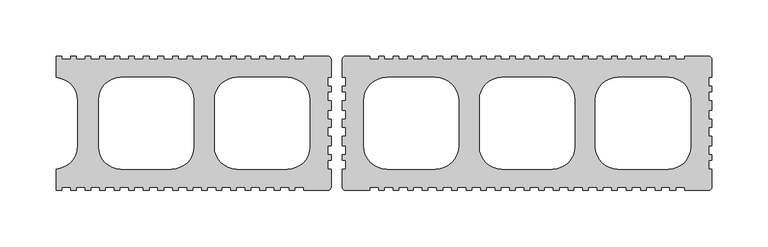
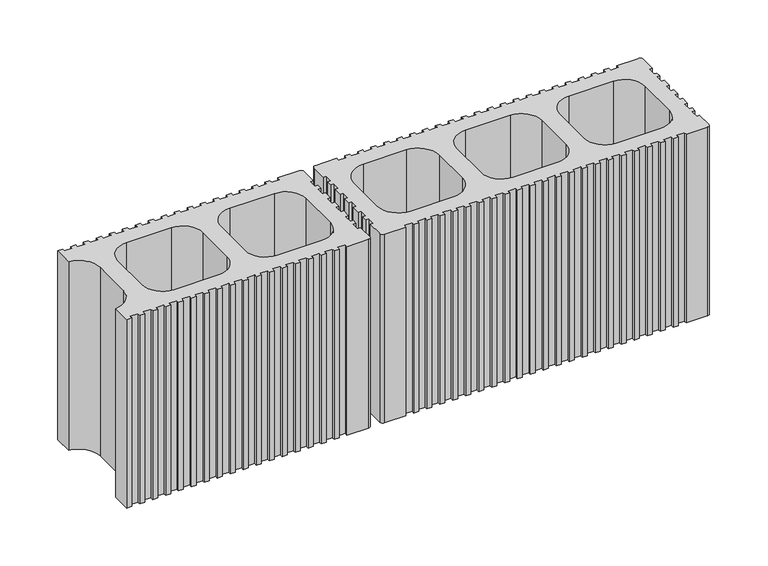
"""IFC4 building model written with IfcOpenShell, lengths in millimetres: plate geometry."""

from ifc_helpers import new_model, si_unit, point, frame_2d, origin, origin_with_axes, place, context, project, spatial, polyline, circle_curve, trimmed, segment, composite_curve, outline, extrude, source, transform, mapped, element, save


def plate_ee714a16(model_context):
    return source(origin(), model_context, "Body", "SweptSolid", [
        extrude(outline(composite_curve([segment(polyline([(-28.9996474, -59.9999786), (-28.9996474, -56.9999689), (-36.9996597, -56.9999689), (-36.9996597, -59.9999786), (-41.9997009, -59.9999786), (-41.9997009, -56.9999689), (-49.9997132, -56.9999689), (-49.9997132, -59.9999786), (-54.9997246, -59.9999786), (-54.9997246, -56.9999689), (-62.9997666, -56.9999689), (-62.9997666, -59.9999786), (-67.999778, -59.9999786), (-67.999778, -56.9999689), (-75.9997903, -56.9999689), (-75.9997903, -59.9999786), (-80.9998017, -59.9999786), (-80.9998017, -56.9999689), (-88.9998438, -56.9999689), (-88.9998438, -59.9999786), (-93.9998552, -59.9999786), (-93.9998552, -56.9999689), (-101.9998823, -56.9999689), (-101.9998823, -59.9999786), (-106.9998937, -59.9999786), (-106.9998937, -56.9999689), (-114.9999209, -56.9999689), (-114.9999209, -59.9999786), (-119.9999472, -59.9999786), (-119.9999472, -56.9999689), (-127.9999744, -56.9999689), (-127.9999744, -59.9999786), (-132.9999857, -59.9999786), (-132.9999857, -56.9999689), (-141.0000129, -56.9999689), (-141.0000129, -59.9999786), (-146.0000243, -59.9999786), (-146.0000243, -56.9999689), (-154.0000515, -56.9999689), (-154.0000515, -59.9999786), (-159.0000629, -59.9999786), (-159.0000629, -56.9999689), (-167.00009, -56.9999689), (-167.00009, -59.9999786), (-172.0001163, -59.9999786), (-172.0001163, -56.9999689), (-180.0001435, -56.9999689), (-180.0001435, -59.9999786), (-185.0001549, -59.9999786), (-185.0001549, -56.9999689), (-193.0001821, -56.9999689), (-193.0001821, -59.9999786), (-198.0001935, -59.9999786), (-198.0001935, -56.9999689), (-206.0002206, -56.9999689), (-206.0002206, -59.9999786), (-211.0002395, -59.9999786), (-211.0002395, -56.9999689), (-219.0002592, -56.9999689), (-219.0002592, -59.9999786), (-224.000278, -59.9999786), (-224.000278, -56.9999689), (-232.0003052, -56.9999689), (-232.0003052, -59.9999786), (-237.0003241, -59.9999786), (-237.0003241, -56.9999689), (-245.0003438, -56.9999689), (-245.0003438, -59.9999786), (-250.0003626, -59.9999786), (-250.0003626, -40.9463443)]), True, "CONTINUOUS"), segment(trimmed(circle_curve(frame_2d((-251.5002835, -19.9999786)), 21.0), [point((-250.0003626, -40.9463443))], [point((-230.5002835, -19.9999786))], True, "CARTESIAN"), True, "CONTINUOUS"), segment(polyline([(-230.5002835, -19.9999786), (-230.5002835, 20.0004066)]), True, "CONTINUOUS"), segment(trimmed(circle_curve(frame_2d((-251.5002835, 20.0004066)), 21.0), [point((-230.5002835, 20.0004066))], [point((-250.0003626, 40.9467723))], True, "CARTESIAN"), True, "CONTINUOUS"), segment(polyline([(-250.0003626, 40.9467723), (-250.0003626, 60.0004066), (-245.0003438, 60.0004066), (-245.0003438, 57.0003969), (-237.0003241, 57.0003969), (-237.0003241, 60.0004066), (-232.0003052, 60.0004066), (-232.0003052, 57.0003969), (-224.000278, 57.0003969), (-224.000278, 60.0004066), (-219.0002592, 60.0004066), (-219.0002592, 57.0003969), (-211.0002395, 57.0003969), (-211.0002395, 60.0004066), (-206.0002206, 60.0004066), (-206.0002206, 57.0003969), (-198.0001935, 57.0003969), (-198.0001935, 60.0004066), (-193.0001821, 60.0004066), (-193.0001821, 57.0003969), (-185.0001549, 57.0003969), (-185.0001549, 60.0004066), (-180.0001435, 60.0004066), (-180.0001435, 57.0003969), (-172.0001163, 57.0003969), (-172.0001163, 60.0004066), (-167.00009, 60.0004066), (-167.00009, 57.0003969), (-159.0000629, 57.0003969), (-159.0000629, 60.0004066), (-154.0000515, 60.0004066), (-154.0000515, 57.0003969), (-146.0000243, 57.0003969), (-146.0000243, 60.0004066), (-141.0000129, 60.0004066), (-141.0000129, 57.0003969), (-132.9999857, 57.0003969), (-132.9999857, 60.0004066), (-127.9999744, 60.0004066), (-127.9999744, 57.0003969), (-119.9999472, 57.0003969), (-119.9999472, 60.0004066), (-114.9999209, 60.0004066), (-114.9999209, 57.0003969), (-106.9998937, 57.0003969), (-106.9998937, 60.0004066), (-101.9998823, 60.0004066), (-101.9998823, 57.0003969), (-93.9998552, 57.0003969), (-93.9998552, 60.0004066), (-88.9998438, 60.0004066), (-88.9998438, 57.0003969), (-80.9998017, 57.0003969), (-80.9998017, 60.0004066), (-75.9997903, 60.0004066), (-75.9997903, 57.0003969), (-67.999778, 57.0003969), (-67.999778, 60.0004066), (-62.9997666, 60.0004066), (-62.9997666, 57.0003969), (-54.9997246, 57.0003969), (-54.9997246, 60.0004066), (-49.9997132, 60.0004066), (-49.9997132, 57.0003969), (-41.9997009, 57.0003969), (-41.9997009, 60.0004066), (-36.9996597, 60.0004066), (-36.9996597, 57.0003969), (-28.9996474, 57.0003969), (-28.9996474, 60.0004066), (-7.4995684, 60.0004066)]), True, "CONTINUOUS"), segment(trimmed(circle_curve(frame_2d((-7.4995684, 57.0004015)), 3.0000051), [point((-7.4995684, 60.0004066))], [point((-4.4995633, 57.0004015))], False, "CARTESIAN"), True, "CONTINUOUS"), segment(polyline([(-4.4995633, 57.0004015), (-4.4995633, 41.0003514), (-7.499573, 41.0003514), (-7.499573, 33.0003242), (-4.4995633, 33.0003242), (-4.4995633, 28.0003054), (-7.499573, 28.0003054), (-7.499573, 20.0002782), (-4.4995633, 20.0002782), (-4.4995633, 11.5002559), (-7.499573, 11.5002559), (-7.499573, 3.5002287), (-4.4995633, 3.5002287), (-4.4995633, -3.4997969), (-7.499573, -3.4997969), (-7.499573, -11.4998204), (-4.4995633, -11.4998204), (-4.4995633, -19.9998502), (-7.499573, -19.9998502), (-7.499573, -27.9998736), (-4.4995633, -27.9998736), (-4.4995633, -32.9998906), (-7.499573, -32.9998906), (-7.499573, -40.9999178), (-4.4995633, -40.9999178), (-4.4995633, -56.9999689)]), True, "CONTINUOUS"), segment(trimmed(circle_curve(frame_2d((-7.499573, -56.9999689)), 3.0000097), [point((-4.4995633, -56.9999689))], [point((-7.499573, -59.9999786))], False, "CARTESIAN"), True, "CONTINUOUS"), segment(polyline([(-7.499573, -59.9999786), (-28.9996474, -59.9999786)]), True, "CONTINUOUS")], self_intersect=False), holes=[composite_curve([segment(trimmed(circle_curve(frame_2d((-192.0002108, -20.9999138)), 20.0000648), [point((-212.0002755, -20.9999138))], [point((-192.0002108, -40.9999786))], True, "CARTESIAN"), True, "CONTINUOUS"), segment(polyline([(-192.0002108, -40.9999786), (-146.9999882, -40.9999786)]), True, "CONTINUOUS"), segment(trimmed(circle_curve(frame_2d((-146.9999882, -20.9999138)), 20.0000648), [point((-146.9999882, -40.9999786))], [point((-126.9999234, -20.9999138))], True, "CARTESIAN"), True, "CONTINUOUS"), segment(polyline([(-126.9999234, -20.9999138), (-126.9999234, 21.0003418)]), True, "CONTINUOUS"), segment(trimmed(circle_curve(frame_2d((-146.9999882, 21.0003418)), 20.0000648), [point((-126.9999234, 21.0003418))], [point((-146.9999882, 41.0004066))], True, "CARTESIAN"), True, "CONTINUOUS"), segment(polyline([(-146.9999882, 41.0004066), (-192.0002108, 41.0004066)]), True, "CONTINUOUS"), segment(trimmed(circle_curve(frame_2d((-192.0002108, 21.0003418)), 20.0000648), [point((-192.0002108, 41.0004066))], [point((-212.0002755, 21.0003418))], True, "CARTESIAN"), True, "CONTINUOUS"), segment(polyline([(-212.0002755, 21.0003418), (-212.0002755, -20.9999138)]), True, "CONTINUOUS")], self_intersect=False), composite_curve([segment(polyline([(-108.499908, 21.0003418), (-108.499908, -20.9999138)]), True, "CONTINUOUS"), segment(trimmed(circle_curve(frame_2d((-88.4998432, -20.9999138)), 20.0000648), [point((-108.499908, -20.9999138))], [point((-88.4998432, -40.9999786))], True, "CARTESIAN"), True, "CONTINUOUS"), segment(polyline([(-88.4998432, -40.9999786), (-43.4996206, -40.9999786)]), True, "CONTINUOUS"), segment(trimmed(circle_curve(frame_2d((-43.4996206, -20.9999138)), 20.0000648), [point((-43.4996206, -40.9999786))], [point((-23.4995558, -20.9999138))], True, "CARTESIAN"), True, "CONTINUOUS"), segment(polyline([(-23.4995558, -20.9999138), (-23.4995558, 21.0003418)]), True, "CONTINUOUS"), segment(trimmed(circle_curve(frame_2d((-43.4996206, 21.0003418)), 20.0000648), [point((-23.4995558, 21.0003418))], [point((-43.4996206, 41.0004066))], True, "CARTESIAN"), True, "CONTINUOUS"), segment(polyline([(-43.4996206, 41.0004066), (-88.4998432, 41.0004066)]), True, "CONTINUOUS"), segment(trimmed(circle_curve(frame_2d((-88.4998432, 21.0003418)), 20.0000648), [point((-88.4998432, 41.0004066))], [point((-108.499908, 21.0003418))], True, "CARTESIAN"), True, "CONTINUOUS")], self_intersect=False)]), origin_with_axes(), (0.0, 0.0, 1.0), 200.0),
        extrude(outline(composite_curve([segment(polyline([(30.0002784, -60.0005091), (8.5002096, -60.0005091)]), True, "CONTINUOUS"), segment(trimmed(circle_curve(frame_2d((8.5002096, -57.0004994)), 3.0000097), [point((8.5002096, -60.0005091))], [point((5.5001999, -57.0004994))], False, "CARTESIAN"), True, "CONTINUOUS"), segment(polyline([(5.5001999, -57.0004994), (5.5001999, -41.0004483), (8.5002096, -41.0004483), (8.5002096, -33.0004211), (5.5001999, -33.0004211), (5.5001999, -28.0004041), (8.5002096, -28.0004041), (8.5002096, -20.0003807), (5.5001999, -20.0003807), (5.5001999, -11.5003509), (8.5002096, -11.5003509), (8.5002096, -3.5003274), (5.5001999, -3.5003274), (5.5001999, 3.4996982), (8.5002096, 3.4996982), (8.5002096, 11.4997254), (5.5001999, 11.4997254), (5.5001999, 19.9997477), (8.5002096, 19.9997477), (8.5002096, 27.9997749), (5.5001999, 27.9997749), (5.5001999, 32.9997937), (8.5002096, 32.9997937), (8.5002096, 40.9998209), (5.5001999, 40.9998209), (5.5001999, 56.999871)]), True, "CONTINUOUS"), segment(trimmed(circle_curve(frame_2d((8.500205, 56.999871)), 3.0000051), [point((5.5001999, 56.999871))], [point((8.500205, 59.9998761))], False, "CARTESIAN"), True, "CONTINUOUS"), segment(polyline([(8.500205, 59.9998761), (30.0002784, 59.9998761), (30.0002784, 56.9998664), (38.0003037, 56.9998664), (38.0003037, 59.9998761), (43.0003226, 59.9998761), (43.0003226, 56.9998664), (51.000346, 56.9998664), (51.000346, 59.9998761), (56.0003649, 59.9998761), (56.0003649, 56.9998664), (64.0003883, 56.9998664), (64.0003883, 59.9998761), (69.0004071, 59.9998761), (69.0004071, 56.9998664), (77.0004343, 56.9998664), (77.0004343, 59.9998761), (82.0004457, 59.9998761), (82.0004457, 56.9998664), (90.0004729, 56.9998664), (90.0004729, 59.9998761), (95.0004917, 59.9998761), (95.0004917, 56.9998664), (103.0005114, 56.9998664), (103.0005114, 59.9998761), (108.0005303, 59.9998761), (108.0005303, 56.9998664), (116.0005575, 56.9998664), (116.0005575, 59.9998761), (121.0005763, 59.9998761), (121.0005763, 56.9998664), (129.000596, 56.9998664), (129.000596, 59.9998761), (134.0006149, 59.9998761), (134.0006149, 56.9998664), (142.000642, 56.9998664), (142.000642, 59.9998761), (147.0006534, 59.9998761), (147.0006534, 56.9998664), (155.0006806, 56.9998664), (155.0006806, 59.9998761), (160.000692, 59.9998761), (160.000692, 56.9998664), (168.0007192, 56.9998664), (168.0007192, 59.9998761), (173.0007455, 59.9998761), (173.0007455, 56.9998664), (181.0007726, 56.9998664), (181.0007726, 59.9998761), (186.000784, 59.9998761), (186.000784, 56.9998664), (194.0008112, 56.9998664), (194.0008112, 59.9998761), (199.0008226, 59.9998761), (199.0008226, 56.9998664), (207.0008498, 56.9998664), (207.0008498, 59.9998761), (212.0008611, 59.9998761), (212.0008611, 56.9998664), (220.0008883, 56.9998664), (220.0008883, 59.9998761), (225.0009146, 59.9998761), (225.0009146, 56.9998664), (233.0009418, 56.9998664), (233.0009418, 59.9998761), (238.0009532, 59.9998761), (238.0009532, 56.9998664), (246.0009803, 56.9998664), (246.0009803, 59.9998761), (251.0009917, 59.9998761), (251.0009917, 56.9998664), (259.0010338, 56.9998664), (259.0010338, 59.9998761), (264.0010452, 59.9998761), (264.0010452, 56.9998664), (272.0010575, 56.9998664), (272.0010575, 59.9998761), (277.0010689, 59.9998761), (277.0010689, 56.9998664), (285.0011109, 56.9998664), (285.0011109, 59.9998761), (290.0011223, 59.9998761), (290.0011223, 56.9998664), (298.0011346, 56.9998664), (298.0011346, 59.9998761), (303.0011758, 59.9998761), (303.0011758, 56.9998664), (311.0011881, 56.9998664), (311.0011881, 59.9998761), (332.5012671, 59.9998761)]), True, "CONTINUOUS"), segment(trimmed(circle_curve(frame_2d((332.5012671, 56.999871)), 3.0000051), [point((332.5012671, 59.9998761))], [point((335.5012722, 56.999871))], False, "CARTESIAN"), True, "CONTINUOUS"), segment(polyline([(335.5012722, 56.999871), (335.5012722, 40.9998209), (332.5012625, 40.9998209), (332.5012625, 32.9997937), (335.5012722, 32.9997937), (335.5012722, 27.9997749), (332.5012625, 27.9997749), (332.5012625, 19.9997477), (335.5012722, 19.9997477), (335.5012722, 11.4997254), (332.5012625, 11.4997254), (332.5012625, 3.4996982), (335.5012722, 3.4996982), (335.5012722, -3.5003274), (332.5012625, -3.5003274), (332.5012625, -11.5003509), (335.5012722, -11.5003509), (335.5012722, -20.0003807), (332.5012625, -20.0003807), (332.5012625, -28.0004041), (335.5012722, -28.0004041), (335.5012722, -33.0004211), (332.5012625, -33.0004211), (332.5012625, -41.0004482), (335.5012722, -41.0004482), (335.5012722, -57.0004994)]), True, "CONTINUOUS"), segment(trimmed(circle_curve(frame_2d((332.5012625, -57.0004994)), 3.0000097), [point((335.5012722, -57.0004994))], [point((332.5012625, -60.0005091))], False, "CARTESIAN"), True, "CONTINUOUS"), segment(polyline([(332.5012625, -60.0005091), (311.0011881, -60.0005091), (311.0011881, -57.0004994), (303.0011758, -57.0004994), (303.0011758, -60.0005091), (298.0011346, -60.0005091), (298.0011346, -57.0004994), (290.0011223, -57.0004994), (290.0011223, -60.0005091), (285.0011109, -60.0005091), (285.0011109, -57.0004994), (277.0010689, -57.0004994), (277.0010689, -60.0005091), (272.0010575, -60.0005091), (272.0010575, -57.0004994), (264.0010452, -57.0004994), (264.0010452, -60.0005091), (259.0010338, -60.0005091), (259.0010338, -57.0004994), (251.0009917, -57.0004994), (251.0009917, -60.0005091), (246.0009803, -60.0005091), (246.0009803, -57.0004994), (238.0009532, -57.0004994), (238.0009532, -60.0005091), (233.0009418, -60.0005091), (233.0009418, -57.0004994), (225.0009146, -57.0004994), (225.0009146, -60.0005091), (220.0008883, -60.0005091), (220.0008883, -57.0004994), (212.0008611, -57.0004994), (212.0008611, -60.0005091), (207.0008498, -60.0005091), (207.0008498, -57.0004994), (199.0008226, -57.0004994), (199.0008226, -60.0005091), (194.0008112, -60.0005091), (194.0008112, -57.0004994), (186.000784, -57.0004994), (186.000784, -60.0005091), (181.0007726, -60.0005091), (181.0007726, -57.0004994), (173.0007455, -57.0004994), (173.0007455, -60.0005091), (168.0007192, -60.0005091), (168.0007192, -57.0004994), (160.000692, -57.0004994), (160.000692, -60.0005091), (155.0006806, -60.0005091), (155.0006806, -57.0004994), (147.0006534, -57.0004994), (147.0006534, -60.0005091), (142.000642, -60.0005091), (142.000642, -57.0004994), (134.0006149, -57.0004994), (134.0006149, -60.0005091), (129.000596, -60.0005091), (129.000596, -57.0004994), (121.0005763, -57.0004994), (121.0005763, -60.0005091), (116.0005575, -60.0005091), (116.0005575, -57.0004994), (108.0005303, -57.0004994), (108.0005303, -60.0005091), (103.0005114, -60.0005091), (103.0005114, -57.0004994), (95.0004917, -57.0004994), (95.0004917, -60.0005091), (90.0004729, -60.0005091), (90.0004729, -57.0004994), (82.0004457, -57.0004994), (82.0004457, -60.0005091), (77.0004343, -60.0005091), (77.0004343, -57.0004994), (69.0004071, -57.0004994), (69.0004071, -60.0005091), (64.0003883, -60.0005091), (64.0003883, -57.0004994), (56.0003649, -57.0004994), (56.0003649, -60.0005091), (51.000346, -60.0005091), (51.000346, -57.0004994), (43.0003226, -57.0004994), (43.0003226, -60.0005091), (38.0003037, -60.0005091), (38.0003037, -57.0004994), (30.0002784, -57.0004994), (30.0002784, -60.0005091)]), True, "CONTINUOUS")], self_intersect=False), holes=[composite_curve([segment(trimmed(circle_curve(frame_2d((45.5001999, -20.0005091)), 21.0), [point((24.5001999, -20.0005091))], [point((45.5001999, -41.0005091))], True, "CARTESIAN"), True, "CONTINUOUS"), segment(polyline([(45.5001999, -41.0005091), (88.500552, -41.0005091)]), True, "CONTINUOUS"), segment(trimmed(circle_curve(frame_2d((88.500552, -20.0005091)), 21.0), [point((88.500552, -41.0005091))], [point((109.500552, -20.0005091))], True, "CARTESIAN"), True, "CONTINUOUS"), segment(polyline([(109.500552, -20.0005091), (109.500552, 19.9998761)]), True, "CONTINUOUS"), segment(trimmed(circle_curve(frame_2d((88.500552, 19.9998761)), 21.0), [point((109.500552, 19.9998761))], [point((88.500552, 40.9998761))], True, "CARTESIAN"), True, "CONTINUOUS"), segment(polyline([(88.500552, 40.9998761), (45.5001999, 40.9998761)]), True, "CONTINUOUS"), segment(trimmed(circle_curve(frame_2d((45.5001999, 19.9998761)), 21.0), [point((45.5001999, 40.9998761))], [point((24.5001999, 19.9998761))], True, "CARTESIAN"), True, "CONTINUOUS"), segment(polyline([(24.5001999, 19.9998761), (24.5001999, -20.0005091)]), True, "CONTINUOUS")], self_intersect=False), composite_curve([segment(trimmed(circle_curve(frame_2d((148.0006247, -21.0004443)), 20.0000648), [point((128.00056, -21.0004443))], [point((148.0006247, -41.0005091))], True, "CARTESIAN"), True, "CONTINUOUS"), segment(polyline([(148.0006247, -41.0005091), (193.0008473, -41.0005091)]), True, "CONTINUOUS"), segment(trimmed(circle_curve(frame_2d((193.0008473, -21.0004443)), 20.0000648), [point((193.0008473, -41.0005091))], [point((213.0009121, -21.0004443))], True, "CARTESIAN"), True, "CONTINUOUS"), segment(polyline([(213.0009121, -21.0004443), (213.0009121, 20.9998113)]), True, "CONTINUOUS"), segment(trimmed(circle_curve(frame_2d((193.0008473, 20.9998113)), 20.0000648), [point((213.0009121, 20.9998113))], [point((193.0008473, 40.9998761))], True, "CARTESIAN"), True, "CONTINUOUS"), segment(polyline([(193.0008473, 40.9998761), (148.0006247, 40.9998761)]), True, "CONTINUOUS"), segment(trimmed(circle_curve(frame_2d((148.0006247, 20.9998113)), 20.0000648), [point((148.0006247, 40.9998761))], [point((128.00056, 20.9998113))], True, "CARTESIAN"), True, "CONTINUOUS"), segment(polyline([(128.00056, 20.9998113), (128.00056, -21.0004443)]), True, "CONTINUOUS")], self_intersect=False), composite_curve([segment(polyline([(231.5009275, 20.9998113), (231.5009275, -21.0004443)]), True, "CONTINUOUS"), segment(trimmed(circle_curve(frame_2d((251.5009923, -21.0004443)), 20.0000648), [point((231.5009275, -21.0004443))], [point((251.5009923, -41.0005091))], True, "CARTESIAN"), True, "CONTINUOUS"), segment(polyline([(251.5009923, -41.0005091), (296.5012149, -41.0005091)]), True, "CONTINUOUS"), segment(trimmed(circle_curve(frame_2d((296.5012149, -21.0004443)), 20.0000648), [point((296.5012149, -41.0005091))], [point((316.5012796, -21.0004443))], True, "CARTESIAN"), True, "CONTINUOUS"), segment(polyline([(316.5012796, -21.0004443), (316.5012796, 20.9998113)]), True, "CONTINUOUS"), segment(trimmed(circle_curve(frame_2d((296.5012149, 20.9998113)), 20.0000648), [point((316.5012796, 20.9998113))], [point((296.5012149, 40.9998761))], True, "CARTESIAN"), True, "CONTINUOUS"), segment(polyline([(296.5012149, 40.9998761), (251.5009923, 40.9998761)]), True, "CONTINUOUS"), segment(trimmed(circle_curve(frame_2d((251.5009923, 20.9998113)), 20.0000648), [point((251.5009923, 40.9998761))], [point((231.5009275, 20.9998113))], True, "CARTESIAN"), True, "CONTINUOUS")], self_intersect=False)]), origin_with_axes(), (0.0, 0.0, 1.0), 200.0),
    ])


if __name__ == "__main__":
    model = new_model("IFC4")
    model_context = context("Model", 3, world=origin())
    ifc_project = project(units=[si_unit("LENGTHUNIT", "METRE", prefix="MILLI")], contexts=[model_context])
    site = spatial("IfcSite", under=ifc_project)
    building = spatial("IfcBuilding", under=site)
    placement = place(None, origin())
    plate_shape = plate_ee714a16(model_context)
    element("IfcPlate", 1, at=placement, inside=building, context=model_context, shape_type="MappedRepresentation", body=[
        mapped(plate_shape, transform((0.0, 0.0, 0.0), x_axis=(1.0, 0.0, 0.0), y_axis=(0.0, 1.0, 0.0), z_axis=(0.0, 0.0, 1.0))),
    ])
    save(model, "model.ifc")
